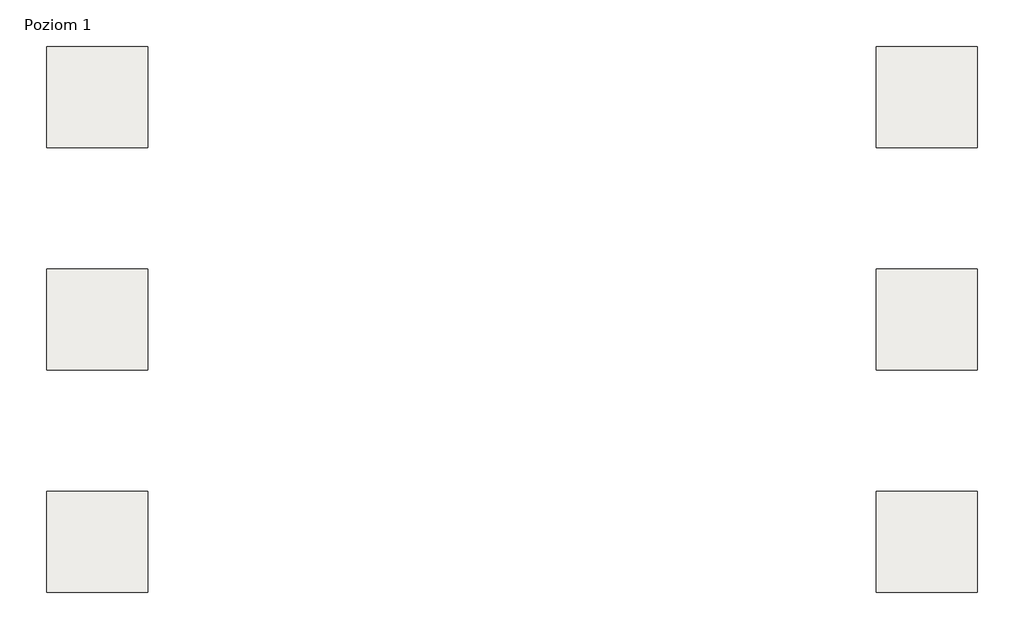
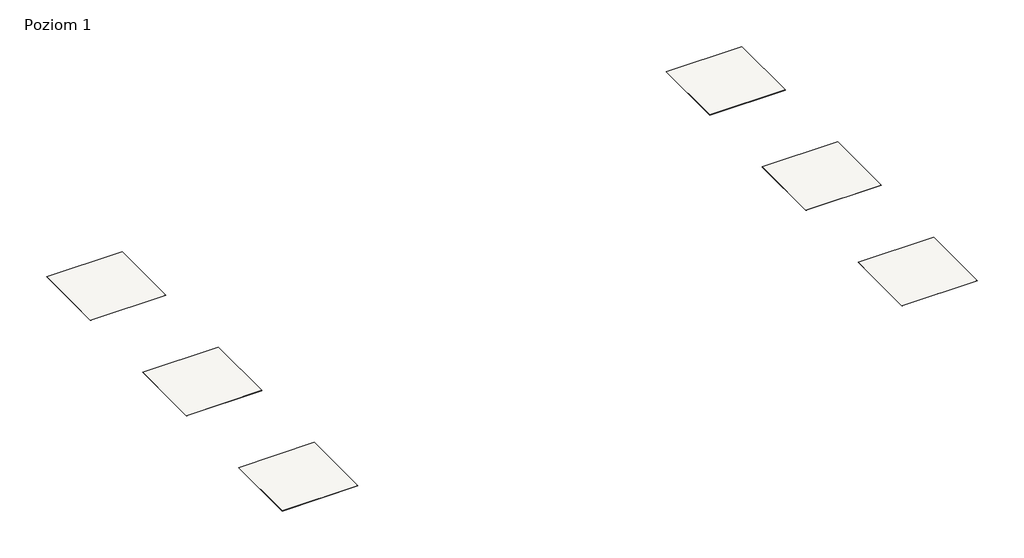
# One storey: 6 slabs.
"""IFC4 building model written with IfcOpenShell, lengths in millimetres."""

from ifc_helpers import new_model, si_unit, frame, origin, place, context, project, spatial, polyline, outline, extrude, element, save

model = new_model("IFC4")

# Units and contexts
model_context = context("Model", 3, world=origin())
ifc_project = project(units=[si_unit("LENGTHUNIT", "METRE", prefix="MILLI")], contexts=[model_context])

# Site, building, storey
site = spatial("IfcSite", under=ifc_project)
building = spatial("IfcBuilding", under=site)
storey = spatial("IfcBuildingStorey", under=building, Name="Poziom 1", Elevation=0.0)

# Slabs
placement = place(None, origin())
element("IfcSlab", 1, at=placement, inside=storey, context=model_context, shape_type="SweptSolid", body=[
    extrude(outline(polyline([(3036.5009197, 24240.1445193), (3036.5009197, 23240.1445193), (2036.5009197, 23240.1445193), (2036.5009197, 24240.1445193), (3036.5009197, 24240.1445193)])), frame((0.0, 0.0, -2.0), z_axis=(0.0, 0.0, 1.0), x_axis=(1.0, 0.0, 0.0)), (0.0, 0.0, 1.0), 2.0),
])
element("IfcSlab", 2, at=placement, inside=storey, context=model_context, shape_type="SweptSolid", body=[
    extrude(outline(polyline([(3036.5009197, 22040.1445193), (3036.5009197, 21040.1445193), (2036.5009197, 21040.1445193), (2036.5009197, 22040.1445193), (3036.5009197, 22040.1445193)])), frame((0.0, 0.0, -2.0), z_axis=(0.0, 0.0, 1.0), x_axis=(1.0, 0.0, 0.0)), (0.0, 0.0, 1.0), 2.0),
])
element("IfcSlab", 3, at=placement, inside=storey, context=model_context, shape_type="SweptSolid", body=[
    extrude(outline(polyline([(3036.5009197, 19840.1445193), (3036.5009197, 18840.1445193), (2036.5009197, 18840.1445193), (2036.5009197, 19840.1445193), (3036.5009197, 19840.1445193)])), frame((0.0, 0.0, -2.0), z_axis=(0.0, 0.0, 1.0), x_axis=(1.0, 0.0, 0.0)), (0.0, 0.0, 1.0), 2.0),
])
element("IfcSlab", 4, at=placement, inside=storey, context=model_context, shape_type="SweptSolid", body=[
    extrude(outline(polyline([(11236.5009197, 24240.1445193), (11236.5009197, 23240.1445193), (10236.5009197, 23240.1445193), (10236.5009197, 24240.1445193), (11236.5009197, 24240.1445193)])), frame((0.0, 0.0, -2.0), z_axis=(0.0, 0.0, 1.0), x_axis=(1.0, 0.0, 0.0)), (0.0, 0.0, 1.0), 2.0),
])
element("IfcSlab", 5, at=placement, inside=storey, context=model_context, shape_type="SweptSolid", body=[
    extrude(outline(polyline([(11236.5009197, 22040.1445193), (11236.5009197, 21040.1445193), (10236.5009197, 21040.1445193), (10236.5009197, 22040.1445193), (11236.5009197, 22040.1445193)])), frame((0.0, 0.0, -2.0), z_axis=(0.0, 0.0, 1.0), x_axis=(1.0, 0.0, 0.0)), (0.0, 0.0, 1.0), 2.0),
])
element("IfcSlab", 6, at=placement, inside=storey, context=model_context, shape_type="SweptSolid", body=[
    extrude(outline(polyline([(11236.5009197, 19840.1445193), (11236.5009197, 18840.1445193), (10236.5009197, 18840.1445193), (10236.5009197, 19840.1445193), (11236.5009197, 19840.1445193)])), frame((0.0, 0.0, -2.0), z_axis=(0.0, 0.0, 1.0), x_axis=(1.0, 0.0, 0.0)), (0.0, 0.0, 1.0), 2.0),
])

save(model, "model.ifc")
